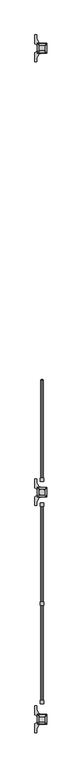
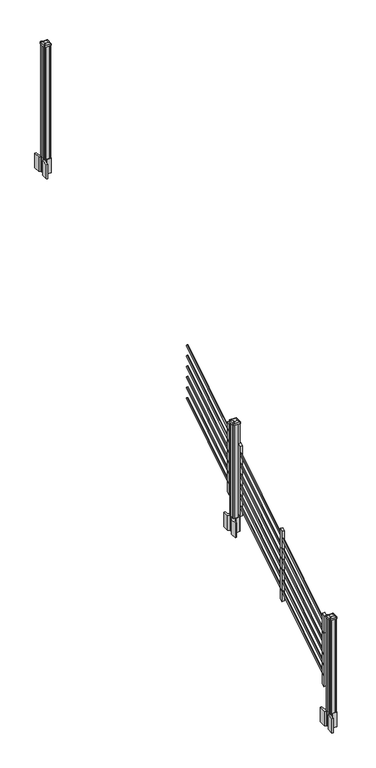
"""IFC4 building model written with IfcOpenShell, lengths in millimetres: railing geometry."""

from ifc_helpers import new_model, si_unit, point, frame, frame_2d, origin, origin_2d, place, context, project, spatial, polyline, circle_curve, trimmed, segment, composite_curve, outline, extrude, source, transform, mapped, element, save
from ifc_brep_helpers import plane_surface, extruded_surface, advanced_brep


def railing_e3468004(model_context):
    return source(origin(), model_context, "Body", "SolidModel", [
        extrude(outline(composite_curve([segment(trimmed(circle_curve(origin_2d(), 8.001), [point((0.0, 8.001))], [point((0.0, -8.001))], False, "CARTESIAN"), True, "CONTINUOUS"), segment(trimmed(circle_curve(origin_2d(), 8.001), [point((0.0, -8.001))], [point((0.0, 8.001))], False, "CARTESIAN"), True, "CONTINUOUS")], self_intersect=False)), frame((6959.7274858, -141000.6468453, 1529.9546159), z_axis=(0.0, 0.8479983040051254, 0.5299989400031201), x_axis=(1.0, 0.0, 0.0)), (0.0, 0.0, 1.0), 868.6338127),
        extrude(outline(composite_curve([segment(trimmed(circle_curve(origin_2d(), 8.001), [point((0.0, 8.001))], [point((0.0, -8.001))], False, "CARTESIAN"), True, "CONTINUOUS"), segment(trimmed(circle_curve(origin_2d(), 8.001), [point((0.0, -8.001))], [point((0.0, 8.001))], False, "CARTESIAN"), True, "CONTINUOUS")], self_intersect=False)), frame((6959.7274858, -141000.6468453, 1641.1445274), z_axis=(0.0, 0.8479983040051253, 0.5299989400031203), x_axis=(1.0, 0.0, 0.0)), (0.0, 0.0, 1.0), 868.6338127),
        extrude(outline(composite_curve([segment(trimmed(circle_curve(origin_2d(), 8.001), [point((0.0, 8.001))], [point((0.0, -8.001))], False, "CARTESIAN"), True, "CONTINUOUS"), segment(trimmed(circle_curve(origin_2d(), 8.001), [point((0.0, -8.001))], [point((0.0, 8.001))], False, "CARTESIAN"), True, "CONTINUOUS")], self_intersect=False)), frame((6959.7274858, -141000.6468453, 1752.334439), z_axis=(0.0, 0.8479983040051253, 0.5299989400031203), x_axis=(1.0, 0.0, 0.0)), (0.0, 0.0, 1.0), 868.6338127),
        extrude(outline(composite_curve([segment(trimmed(circle_curve(origin_2d(), 8.001), [point((0.0, 8.001))], [point((0.0, -8.001))], False, "CARTESIAN"), True, "CONTINUOUS"), segment(trimmed(circle_curve(origin_2d(), 8.001), [point((0.0, -8.001))], [point((0.0, 8.001))], False, "CARTESIAN"), True, "CONTINUOUS")], self_intersect=False)), frame((6959.7274858, -141000.6468453, 1863.5243506), z_axis=(0.0, 0.8479983040051253, 0.5299989400031203), x_axis=(1.0, 0.0, 0.0)), (0.0, 0.0, 1.0), 868.6338127),
        extrude(outline(composite_curve([segment(trimmed(circle_curve(origin_2d(), 8.001), [point((0.0, 8.001))], [point((0.0, -8.001))], False, "CARTESIAN"), True, "CONTINUOUS"), segment(trimmed(circle_curve(origin_2d(), 8.001), [point((0.0, -8.001))], [point((0.0, 8.001))], False, "CARTESIAN"), True, "CONTINUOUS")], self_intersect=False)), frame((6959.7274858, -141000.6468453, 1974.7142622), z_axis=(0.0, 0.8479983040051254, 0.5299989400031202), x_axis=(1.0, 0.0, 0.0)), (0.0, 0.0, 1.0), 868.6338127),
        extrude(outline(composite_curve([segment(trimmed(circle_curve(origin_2d(), 8.001), [point((0.0, 8.001))], [point((0.0, -8.001))], False, "CARTESIAN"), True, "CONTINUOUS"), segment(trimmed(circle_curve(origin_2d(), 8.001), [point((0.0, -8.001))], [point((0.0, 8.001))], False, "CARTESIAN"), True, "CONTINUOUS")], self_intersect=False)), frame((6959.7274858, -141000.6468453, 2085.9041737), z_axis=(0.0, 0.8479983040051253, 0.5299989400031202), x_axis=(1.0, 0.0, 0.0)), (0.0, 0.0, 1.0), 868.6338127),
        extrude(outline(polyline([(-140982.8668453, 1439.9853781), (-141008.2668453, 1424.1103781), (-141008.2668453, 2165.0325), (-140982.8668453, 2180.9075), (-140982.8668453, 1439.9853781)])), frame((6947.3376478, 0.0, 0.0), z_axis=(1.0, 0.0, 0.0), x_axis=(0.0, 1.0, 0.0)), (0.0, 0.0, 1.0), 25.4),
        extrude(outline(composite_curve([segment(polyline([(6993.0893978, -141106.1709401), (6994.6768978, -141106.9329401), (6994.6768978, -141120.4638682), (6991.4626707, -141123.6780953), (6939.7819999, -141123.6780953), (6939.7819999, -141124.5988453), (6944.1323311, -141124.5988453), (6944.1323311, -141126.0531), (6939.0478014, -141126.0531), (6939.0478014, -141127.3371238), (6946.8385135, -141127.3371238)]), True, "CONTINUOUS"), segment(trimmed(circle_curve(frame_2d((6946.8385135, -141144.0803337)), 16.7432099), [point((6946.8385135, -141127.3371238))], [point((6930.2163912, -141142.070327))], True, "CARTESIAN"), True, "CONTINUOUS"), segment(polyline([(6930.2163912, -141142.070327), (6922.5009469, -141159.1056654)]), True, "CONTINUOUS"), segment(trimmed(circle_curve(frame_2d((6967.6017103, -141175.3777151)), 47.9464123), [point((6922.5009469, -141159.1056654))], [point((6919.655298, -141175.3777151))], True, "CARTESIAN"), True, "CONTINUOUS"), segment(polyline([(6919.655298, -141175.3777151), (6919.655298, -141187.3864547), (6907.4517103, -141187.3864547), (6907.4517103, -141122.0905953), (6925.3983978, -141110.514179), (6925.3983978, -141106.9329401), (6926.9858978, -141106.1709401), (6926.9858978, -141071.9067504), (6925.3983978, -141071.1447504), (6925.3983978, -141067.5635116), (6907.4517103, -141055.9870953), (6907.4517103, -140990.6912359), (6919.655298, -140990.6912359), (6919.655298, -141002.6999755)]), True, "CONTINUOUS"), segment(trimmed(circle_curve(frame_2d((6967.6017103, -141002.6999755)), 47.9464123), [point((6919.655298, -141002.6999755))], [point((6922.5009469, -141018.9720251))], True, "CARTESIAN"), True, "CONTINUOUS"), segment(polyline([(6922.5009469, -141018.9720251), (6930.2163912, -141036.0073636)]), True, "CONTINUOUS"), segment(trimmed(circle_curve(frame_2d((6946.8385135, -141033.9973569)), 16.7432099), [point((6930.2163912, -141036.0073636))], [point((6946.8385135, -141050.7405668))], True, "CARTESIAN"), True, "CONTINUOUS"), segment(polyline([(6946.8385135, -141050.7405668), (6948.5057858, -141050.7405668), (6948.5057858, -141052.0245906), (6944.1323311, -141052.0245906), (6944.1323311, -141053.4788453), (6939.7819999, -141053.4788453), (6939.7819999, -141054.3995953), (6991.4626707, -141054.3995953), (6994.6768978, -141057.6138224), (6994.6768978, -141071.1447504), (6993.0893978, -141071.9067504), (6993.0893978, -141106.1709401)]), True, "CONTINUOUS")], self_intersect=False), holes=[polyline([(6928.2876478, -141058.8763453), (6928.2876478, -141119.2013453), (6929.8751478, -141120.7888453), (6957.2744304, -141120.7888453), (6990.2001478, -141120.7888453), (6991.7876478, -141119.2013453), (6991.7876478, -141058.8763453), (6990.2001478, -141057.2888453), (6957.2744304, -141057.2888453), (6929.8751478, -141057.2888453), (6928.2876478, -141058.8763453)])]), frame((0.0, 0.0, 1094.74), z_axis=(0.0, 0.0, 1.0), x_axis=(1.0, 0.0, 0.0)), (0.0, 0.0, 1.0), 152.4),
        advanced_brep(
        [(6944.1626478, -141108.0888453, 2260.089263), (6975.9126478, -141108.0888453, 2260.089263), (6979.0876478, -141104.9138453, 2260.089263), (6979.0876478, -141073.1638453, 2260.089263), (6975.9126478, -141069.9888453, 2260.089263), (6944.1626478, -141069.9888453, 2260.089263), (6940.9876478, -141073.1638453, 2260.089263), (6940.9876478, -141104.9138453, 2260.089263), (6927.6526478, -141124.5988453, 2248.786263), (6924.4776478, -141121.4238453, 2248.786263), (6924.4776478, -141056.6538453, 2248.786263), (6927.6526478, -141053.4788453, 2248.786263), (6992.4226478, -141053.4788453, 2248.786263), (6995.5976478, -141056.6538453, 2248.786263), (6995.5976478, -141121.4238453, 2248.786263), (6992.4226478, -141124.5988453, 2248.786263)],
        [
            (0, 1),
            (1, 2, circle_curve(frame((6975.9126478, -141104.9138453, 2260.089263), z_axis=(0.0, 0.0, 1.0), x_axis=(0.0, 1.0, 0.0)), 3.175)),
            (2, 3),
            (3, 4, circle_curve(frame((6975.9126478, -141073.1638453, 2260.089263), z_axis=(0.0, 0.0, 1.0), x_axis=(0.0, 1.0, 0.0)), 3.175)),
            (4, 5),
            (5, 6, circle_curve(frame((6944.1626478, -141073.1638453, 2260.089263), z_axis=(0.0, 0.0, 1.0), x_axis=(0.0, 1.0, 0.0)), 3.175)),
            (6, 7),
            (7, 0, circle_curve(frame((6944.1626478, -141104.9138453, 2260.089263), z_axis=(0.0, 0.0, 1.0), x_axis=(0.0, 1.0, 0.0)), 3.175)),
            (8, 9, circle_curve(frame((6927.6526478, -141121.4238453, 2248.786263), z_axis=(0.0, 0.0, -1.0), x_axis=(0.0, 1.0, 0.0)), 3.175)),
            (9, 10),
            (10, 11, circle_curve(frame((6927.6526478, -141056.6538453, 2248.786263), z_axis=(0.0, 0.0, -1.0), x_axis=(0.0, 1.0, 0.0)), 3.175)),
            (11, 12),
            (12, 13, circle_curve(frame((6992.4226478, -141056.6538453, 2248.786263), z_axis=(0.0, 0.0, -1.0), x_axis=(0.0, 1.0, 0.0)), 3.175)),
            (13, 14),
            (14, 15, circle_curve(frame((6992.4226478, -141121.4238453, 2248.786263), z_axis=(0.0, 0.0, -1.0), x_axis=(0.0, 1.0, 0.0)), 3.175)),
            (15, 8),
            (8, 0),
            (7, 9),
            (6, 10),
            (5, 11),
            (4, 12),
            (3, 13),
            (2, 14),
            (1, 15),
        ],
        [
            plane_surface(frame((6960.0376478, -141089.0388453, 2260.089263), z_axis=(0.0, 0.0, 1.0), x_axis=(-1.0, 0.0, 0.0))),
            plane_surface(frame((6960.0376478, -141089.0388453, 2248.786263), z_axis=(0.0, 0.0, -1.0), x_axis=(-1.0, 0.0, 0.0))),
            extruded_surface(trimmed(circle_curve(frame((6944.1626478, -141104.9138453, 2260.089263), z_axis=(0.0, 0.0, -1.0), x_axis=(0.0, 1.0, 0.0)), 3.175), [point((6944.1626478, -141108.0888453, 2260.089263))], [point((6940.9876478, -141104.9138453, 2260.089263))], True, "CARTESIAN"), (-16.51000000000022, -16.510000000009313, -11.302999999999884), 25.940663233624388),
            plane_surface(frame((6924.4776478, -141089.0388453, 2248.786263), z_axis=(-0.5649114395471265, 0.0, 0.8251515409116033), x_axis=(0.0, 1.0, 0.0))),
            extruded_surface(trimmed(circle_curve(frame((6944.1626478, -141073.1638453, 2260.089263), z_axis=(0.0, 0.0, -1.0), x_axis=(0.0, 1.0, 0.0)), 3.175), [point((6940.9876478, -141073.1638453, 2260.089263))], [point((6944.1626478, -141069.9888453, 2260.089263))], True, "CARTESIAN"), (-16.51000000000022, 16.510000000009313, -11.302999999999884), 25.940663233624388),
            plane_surface(frame((6960.0376478, -141053.4788453, 2248.786263), z_axis=(0.0, 0.564911439547091, 0.8251515409116277), x_axis=(1.0, 0.0, 0.0))),
            extruded_surface(trimmed(circle_curve(frame((6975.9126478, -141073.1638453, 2260.089263), z_axis=(0.0, 0.0, -1.0), x_axis=(0.0, 1.0, 0.0)), 3.175), [point((6975.9126478, -141069.9888453, 2260.089263))], [point((6979.0876478, -141073.1638453, 2260.089263))], True, "CARTESIAN"), (16.51000000000022, 16.510000000009313, -11.302999999999884), 25.940663233624388),
            plane_surface(frame((6995.5976478, -141089.0388453, 2248.786263), z_axis=(0.5649114395470569, 0.0, 0.825151540911651), x_axis=(0.0, -1.0, 0.0))),
            extruded_surface(trimmed(circle_curve(frame((6975.9126478, -141104.9138453, 2260.089263), z_axis=(0.0, 0.0, -1.0), x_axis=(0.0, 1.0, 0.0)), 3.175), [point((6979.0876478, -141104.9138453, 2260.089263))], [point((6975.9126478, -141108.0888453, 2260.089263))], True, "CARTESIAN"), (16.51000000000022, -16.510000000009313, -11.302999999999884), 25.940663233624388),
            plane_surface(frame((6960.0376478, -141124.5988453, 2248.786263), z_axis=(0.0, -0.5649114395471048, 0.8251515409116182), x_axis=(-1.0, 0.0, 0.0))),
        ],
        [
            (0, [[1, 2, 3, 4, 5, 6, 7, 8]]),
            (1, [[9, 10, 11, 12, 13, 14, 15, 16]]),
            (2, [[17, -8, 18, -9]]),
            (3, [[-18, -7, 19, -10]]),
            (4, [[-19, -6, 20, -11]]),
            (5, [[-20, -5, 21, -12]]),
            (6, [[-21, -4, 22, -13]]),
            (7, [[-22, -3, 23, -14]]),
            (8, [[-23, -2, 24, -15]]),
            (9, [[-24, -1, -17, -16]]),
        ],
    ),
        extrude(outline(composite_curve([segment(trimmed(circle_curve(frame_2d((6927.6526478, -141121.4238453)), 3.175), [point((6927.6526478, -141124.5988453))], [point((6924.4776478, -141121.4238453))], False, "CARTESIAN"), True, "CONTINUOUS"), segment(polyline([(6924.4776478, -141121.4238453), (6924.4776478, -141056.6538453)]), True, "CONTINUOUS"), segment(trimmed(circle_curve(frame_2d((6927.6526478, -141056.6538453)), 3.175), [point((6924.4776478, -141056.6538453))], [point((6927.6526478, -141053.4788453))], False, "CARTESIAN"), True, "CONTINUOUS"), segment(polyline([(6927.6526478, -141053.4788453), (6992.4226478, -141053.4788453)]), True, "CONTINUOUS"), segment(trimmed(circle_curve(frame_2d((6992.4226478, -141056.6538453)), 3.175), [point((6992.4226478, -141053.4788453))], [point((6995.5976478, -141056.6538453))], False, "CARTESIAN"), True, "CONTINUOUS"), segment(polyline([(6995.5976478, -141056.6538453), (6995.5976478, -141121.4238453)]), True, "CONTINUOUS"), segment(trimmed(circle_curve(frame_2d((6992.4226478, -141121.4238453)), 3.175), [point((6995.5976478, -141121.4238453))], [point((6992.4226478, -141124.5988453))], False, "CARTESIAN"), True, "CONTINUOUS"), segment(polyline([(6992.4226478, -141124.5988453), (6927.6526478, -141124.5988453)]), True, "CONTINUOUS")], self_intersect=False)), frame((0.0, 0.0, 2231.514263), z_axis=(0.0, 0.0, 1.0), x_axis=(1.0, 0.0, 0.0)), (0.0, 0.0, 1.0), 17.272),
        extrude(outline(polyline([(6929.8751478, -141120.7888453), (6928.2876478, -141119.2013453), (6928.2876478, -141108.8508453), (6929.8751478, -141108.0888453), (6929.8751478, -141069.9888453), (6928.2876478, -141069.2268453), (6928.2876478, -141058.8763453), (6929.8751478, -141057.2888453), (6940.2256478, -141057.2888453), (6940.9876478, -141058.8763453), (6979.0876478, -141058.8763453), (6979.8496478, -141057.2888453), (6990.2001478, -141057.2888453), (6991.7876478, -141058.8763453), (6991.7876478, -141069.2268453), (6990.2001478, -141069.9888453), (6990.2001478, -141108.0888453), (6991.7876478, -141108.8508453), (6991.7876478, -141119.2013453), (6990.2001478, -141120.7888453), (6979.8496478, -141120.7888453), (6979.0876478, -141119.2013453), (6940.9876478, -141119.2013453), (6940.2256478, -141120.7888453), (6929.8751478, -141120.7888453)])), frame((0.0, 0.0, 1247.14), z_axis=(0.0, 0.0, 1.0), x_axis=(1.0, 0.0, 0.0)), (0.0, 0.0, 1.0), 984.374263),
        extrude(outline(polyline([(-141169.8108453, 1323.1453781), (-141195.2108453, 1307.2703781), (-141195.2108453, 2048.1925), (-141169.8108453, 2064.0675), (-141169.8108453, 1323.1453781)])), frame((6947.3376478, 0.0, 0.0), z_axis=(1.0, 0.0, 0.0), x_axis=(0.0, 1.0, 0.0)), (0.0, 0.0, 1.0), 25.4),
        extrude(outline(composite_curve([segment(trimmed(circle_curve(origin_2d(), 8.001), [point((0.0, 8.001))], [point((0.0, -8.001))], False, "CARTESIAN"), True, "CONTINUOUS"), segment(trimmed(circle_curve(origin_2d(), 8.001), [point((0.0, -8.001))], [point((0.0, 8.001))], False, "CARTESIAN"), True, "CONTINUOUS")], self_intersect=False)), frame((6959.7274858, -141914.0308453, 959.0896159), z_axis=(0.0, 0.8479983040051254, 0.5299989400031201), x_axis=(1.0, 0.0, 0.0)), (0.0, 0.0, 1.0), 868.6338127),
        extrude(outline(composite_curve([segment(trimmed(circle_curve(origin_2d(), 8.001), [point((0.0, 8.001))], [point((0.0, -8.001))], False, "CARTESIAN"), True, "CONTINUOUS"), segment(trimmed(circle_curve(origin_2d(), 8.001), [point((0.0, -8.001))], [point((0.0, 8.001))], False, "CARTESIAN"), True, "CONTINUOUS")], self_intersect=False)), frame((6959.7274858, -141914.0308453, 1070.2795274), z_axis=(0.0, 0.8479983040051253, 0.5299989400031203), x_axis=(1.0, 0.0, 0.0)), (0.0, 0.0, 1.0), 868.6338127),
        extrude(outline(composite_curve([segment(trimmed(circle_curve(origin_2d(), 8.001), [point((0.0, 8.001))], [point((0.0, -8.001))], False, "CARTESIAN"), True, "CONTINUOUS"), segment(trimmed(circle_curve(origin_2d(), 8.001), [point((0.0, -8.001))], [point((0.0, 8.001))], False, "CARTESIAN"), True, "CONTINUOUS")], self_intersect=False)), frame((6959.7274858, -141914.0308453, 1181.469439), z_axis=(0.0, 0.8479983040051253, 0.5299989400031203), x_axis=(1.0, 0.0, 0.0)), (0.0, 0.0, 1.0), 868.6338127),
        extrude(outline(composite_curve([segment(trimmed(circle_curve(origin_2d(), 8.001), [point((0.0, 8.001))], [point((0.0, -8.001))], False, "CARTESIAN"), True, "CONTINUOUS"), segment(trimmed(circle_curve(origin_2d(), 8.001), [point((0.0, -8.001))], [point((0.0, 8.001))], False, "CARTESIAN"), True, "CONTINUOUS")], self_intersect=False)), frame((6959.7274858, -141914.0308453, 1292.6593506), z_axis=(0.0, 0.8479983040051253, 0.5299989400031203), x_axis=(1.0, 0.0, 0.0)), (0.0, 0.0, 1.0), 868.6338127),
        extrude(outline(composite_curve([segment(trimmed(circle_curve(origin_2d(), 8.001), [point((0.0, 8.001))], [point((0.0, -8.001))], False, "CARTESIAN"), True, "CONTINUOUS"), segment(trimmed(circle_curve(origin_2d(), 8.001), [point((0.0, -8.001))], [point((0.0, 8.001))], False, "CARTESIAN"), True, "CONTINUOUS")], self_intersect=False)), frame((6959.7274858, -141914.0308453, 1403.8492622), z_axis=(0.0, 0.8479983040051254, 0.5299989400031202), x_axis=(1.0, 0.0, 0.0)), (0.0, 0.0, 1.0), 868.6338127),
        extrude(outline(composite_curve([segment(trimmed(circle_curve(origin_2d(), 8.001), [point((0.0, 8.001))], [point((0.0, -8.001))], False, "CARTESIAN"), True, "CONTINUOUS"), segment(trimmed(circle_curve(origin_2d(), 8.001), [point((0.0, -8.001))], [point((0.0, 8.001))], False, "CARTESIAN"), True, "CONTINUOUS")], self_intersect=False)), frame((6959.7274858, -141914.0308453, 1515.0391737), z_axis=(0.0, 0.8479983040051253, 0.5299989400031202), x_axis=(1.0, 0.0, 0.0)), (0.0, 0.0, 1.0), 868.6338127),
        extrude(outline(polyline([(-141896.2508453, 869.1203781), (-141921.6508453, 853.2453781), (-141921.6508453, 1594.1675), (-141896.2508453, 1610.0425), (-141896.2508453, 869.1203781)])), frame((6947.3376478, 0.0, 0.0), z_axis=(1.0, 0.0, 0.0), x_axis=(0.0, 1.0, 0.0)), (0.0, 0.0, 1.0), 25.4),
        extrude(outline(composite_curve([segment(trimmed(circle_curve(origin_2d(), 8.001), [point((0.0, 8.001))], [point((0.0, -8.001))], False, "CARTESIAN"), True, "CONTINUOUS"), segment(trimmed(circle_curve(origin_2d(), 8.001), [point((0.0, -8.001))], [point((0.0, 8.001))], False, "CARTESIAN"), True, "CONTINUOUS")], self_intersect=False)), frame((6959.7274858, -142640.4708453, 505.0646159), z_axis=(0.0, 0.8479983040051254, 0.5299989400031201), x_axis=(1.0, 0.0, 0.0)), (0.0, 0.0, 1.0), 868.6338127),
        extrude(outline(composite_curve([segment(trimmed(circle_curve(origin_2d(), 8.001), [point((0.0, 8.001))], [point((0.0, -8.001))], False, "CARTESIAN"), True, "CONTINUOUS"), segment(trimmed(circle_curve(origin_2d(), 8.001), [point((0.0, -8.001))], [point((0.0, 8.001))], False, "CARTESIAN"), True, "CONTINUOUS")], self_intersect=False)), frame((6959.7274858, -142640.4708453, 616.2545274), z_axis=(0.0, 0.8479983040051253, 0.5299989400031203), x_axis=(1.0, 0.0, 0.0)), (0.0, 0.0, 1.0), 868.6338127),
        extrude(outline(composite_curve([segment(trimmed(circle_curve(origin_2d(), 8.001), [point((0.0, 8.001))], [point((0.0, -8.001))], False, "CARTESIAN"), True, "CONTINUOUS"), segment(trimmed(circle_curve(origin_2d(), 8.001), [point((0.0, -8.001))], [point((0.0, 8.001))], False, "CARTESIAN"), True, "CONTINUOUS")], self_intersect=False)), frame((6959.7274858, -142640.4708453, 727.444439), z_axis=(0.0, 0.8479983040051253, 0.5299989400031203), x_axis=(1.0, 0.0, 0.0)), (0.0, 0.0, 1.0), 868.6338127),
        extrude(outline(composite_curve([segment(trimmed(circle_curve(origin_2d(), 8.001), [point((0.0, 8.001))], [point((0.0, -8.001))], False, "CARTESIAN"), True, "CONTINUOUS"), segment(trimmed(circle_curve(origin_2d(), 8.001), [point((0.0, -8.001))], [point((0.0, 8.001))], False, "CARTESIAN"), True, "CONTINUOUS")], self_intersect=False)), frame((6959.7274858, -142640.4708453, 838.6343506), z_axis=(0.0, 0.8479983040051253, 0.5299989400031203), x_axis=(1.0, 0.0, 0.0)), (0.0, 0.0, 1.0), 868.6338127),
        extrude(outline(composite_curve([segment(trimmed(circle_curve(origin_2d(), 8.001), [point((0.0, 8.001))], [point((0.0, -8.001))], False, "CARTESIAN"), True, "CONTINUOUS"), segment(trimmed(circle_curve(origin_2d(), 8.001), [point((0.0, -8.001))], [point((0.0, 8.001))], False, "CARTESIAN"), True, "CONTINUOUS")], self_intersect=False)), frame((6959.7274858, -142640.4708453, 949.8242622), z_axis=(0.0, 0.8479983040051254, 0.5299989400031202), x_axis=(1.0, 0.0, 0.0)), (0.0, 0.0, 1.0), 868.6338127),
        extrude(outline(composite_curve([segment(trimmed(circle_curve(origin_2d(), 8.001), [point((0.0, 8.001))], [point((0.0, -8.001))], False, "CARTESIAN"), True, "CONTINUOUS"), segment(trimmed(circle_curve(origin_2d(), 8.001), [point((0.0, -8.001))], [point((0.0, 8.001))], False, "CARTESIAN"), True, "CONTINUOUS")], self_intersect=False)), frame((6959.7274858, -142640.4708453, 1061.0141737), z_axis=(0.0, 0.8479983040051253, 0.5299989400031202), x_axis=(1.0, 0.0, 0.0)), (0.0, 0.0, 1.0), 868.6338127),
        extrude(outline(polyline([(-142622.6908453, 415.0953781), (-142648.0908453, 399.2203781), (-142648.0908453, 1140.1425), (-142622.6908453, 1156.0175), (-142622.6908453, 415.0953781)])), frame((6947.3376478, 0.0, 0.0), z_axis=(1.0, 0.0, 0.0), x_axis=(0.0, 1.0, 0.0)), (0.0, 0.0, 1.0), 25.4),
        extrude(outline(composite_curve([segment(polyline([(6993.0893978, -137837.4449401), (6994.6768978, -137838.2069401), (6994.6768978, -137851.7378682), (6991.4626707, -137854.9520953), (6939.7819999, -137854.9520953), (6939.7819999, -137855.8728453), (6944.1323311, -137855.8728453), (6944.1323311, -137857.3271), (6939.0478014, -137857.3271), (6939.0478014, -137858.6111238), (6946.8385135, -137858.6111238)]), True, "CONTINUOUS"), segment(trimmed(circle_curve(frame_2d((6946.8385135, -137875.3543337)), 16.7432099), [point((6946.8385135, -137858.6111238))], [point((6930.2163912, -137873.344327))], True, "CARTESIAN"), True, "CONTINUOUS"), segment(polyline([(6930.2163912, -137873.344327), (6922.5009469, -137890.3796654)]), True, "CONTINUOUS"), segment(trimmed(circle_curve(frame_2d((6967.6017103, -137906.6517151)), 47.9464123), [point((6922.5009469, -137890.3796654))], [point((6919.655298, -137906.6517151))], True, "CARTESIAN"), True, "CONTINUOUS"), segment(polyline([(6919.655298, -137906.6517151), (6919.655298, -137918.6604547), (6907.4517103, -137918.6604547), (6907.4517103, -137853.3645953), (6925.3983978, -137841.788179), (6925.3983978, -137838.2069401), (6926.9858978, -137837.4449401), (6926.9858978, -137803.1807504), (6925.3983978, -137802.4187504), (6925.3983978, -137798.8375116), (6907.4517103, -137787.2610953), (6907.4517103, -137721.9652359), (6919.655298, -137721.9652359), (6919.655298, -137733.9739755)]), True, "CONTINUOUS"), segment(trimmed(circle_curve(frame_2d((6967.6017103, -137733.9739755)), 47.9464123), [point((6919.655298, -137733.9739755))], [point((6922.5009469, -137750.2460251))], True, "CARTESIAN"), True, "CONTINUOUS"), segment(polyline([(6922.5009469, -137750.2460251), (6930.2163912, -137767.2813636)]), True, "CONTINUOUS"), segment(trimmed(circle_curve(frame_2d((6946.8385135, -137765.2713569)), 16.7432099), [point((6930.2163912, -137767.2813636))], [point((6946.8385135, -137782.0145668))], True, "CARTESIAN"), True, "CONTINUOUS"), segment(polyline([(6946.8385135, -137782.0145668), (6948.5057858, -137782.0145668), (6948.5057858, -137783.2985906), (6944.1323311, -137783.2985906), (6944.1323311, -137784.7528453), (6939.7819999, -137784.7528453), (6939.7819999, -137785.6735953), (6991.4626707, -137785.6735953), (6994.6768978, -137788.8878224), (6994.6768978, -137802.4187504), (6993.0893978, -137803.1807504), (6993.0893978, -137837.4449401)]), True, "CONTINUOUS")], self_intersect=False), holes=[polyline([(6928.2876478, -137790.1503453), (6928.2876478, -137850.4753453), (6929.8751478, -137852.0628453), (6957.2744304, -137852.0628453), (6990.2001478, -137852.0628453), (6991.7876478, -137850.4753453), (6991.7876478, -137790.1503453), (6990.2001478, -137788.5628453), (6957.2744304, -137788.5628453), (6929.8751478, -137788.5628453), (6928.2876478, -137790.1503453)])]), frame((0.0, 0.0, 2895.6), z_axis=(0.0, 0.0, 1.0), x_axis=(1.0, 0.0, 0.0)), (0.0, 0.0, 1.0), 152.4),
        advanced_brep(
        [(6944.1626478, -137839.3628453, 4264.149263), (6975.9126478, -137839.3628453, 4264.149263), (6979.0876478, -137836.1878453, 4264.149263), (6979.0876478, -137804.4378453, 4264.149263), (6975.9126478, -137801.2628453, 4264.149263), (6944.1626478, -137801.2628453, 4264.149263), (6940.9876478, -137804.4378453, 4264.149263), (6940.9876478, -137836.1878453, 4264.149263), (6927.6526478, -137855.8728453, 4252.846263), (6924.4776478, -137852.6978453, 4252.846263), (6924.4776478, -137787.9278453, 4252.846263), (6927.6526478, -137784.7528453, 4252.846263), (6992.4226478, -137784.7528453, 4252.846263), (6995.5976478, -137787.9278453, 4252.846263), (6995.5976478, -137852.6978453, 4252.846263), (6992.4226478, -137855.8728453, 4252.846263)],
        [
            (0, 1),
            (1, 2, circle_curve(frame((6975.9126478, -137836.1878453, 4264.149263), z_axis=(0.0, 0.0, 1.0), x_axis=(0.0, 1.0, 0.0)), 3.175)),
            (2, 3),
            (3, 4, circle_curve(frame((6975.9126478, -137804.4378453, 4264.149263), z_axis=(0.0, 0.0, 1.0), x_axis=(0.0, 1.0, 0.0)), 3.175)),
            (4, 5),
            (5, 6, circle_curve(frame((6944.1626478, -137804.4378453, 4264.149263), z_axis=(0.0, 0.0, 1.0), x_axis=(0.0, 1.0, 0.0)), 3.175)),
            (6, 7),
            (7, 0, circle_curve(frame((6944.1626478, -137836.1878453, 4264.149263), z_axis=(0.0, 0.0, 1.0), x_axis=(0.0, 1.0, 0.0)), 3.175)),
            (8, 9, circle_curve(frame((6927.6526478, -137852.6978453, 4252.846263), z_axis=(0.0, 0.0, -1.0), x_axis=(0.0, 1.0, 0.0)), 3.175)),
            (9, 10),
            (10, 11, circle_curve(frame((6927.6526478, -137787.9278453, 4252.846263), z_axis=(0.0, 0.0, -1.0), x_axis=(0.0, 1.0, 0.0)), 3.175)),
            (11, 12),
            (12, 13, circle_curve(frame((6992.4226478, -137787.9278453, 4252.846263), z_axis=(0.0, 0.0, -1.0), x_axis=(0.0, 1.0, 0.0)), 3.175)),
            (13, 14),
            (14, 15, circle_curve(frame((6992.4226478, -137852.6978453, 4252.846263), z_axis=(0.0, 0.0, -1.0), x_axis=(0.0, 1.0, 0.0)), 3.175)),
            (15, 8),
            (8, 0),
            (7, 9),
            (6, 10),
            (5, 11),
            (4, 12),
            (3, 13),
            (2, 14),
            (1, 15),
        ],
        [
            plane_surface(frame((6960.0376478, -137820.3128453, 4264.149263), z_axis=(0.0, 0.0, 1.0), x_axis=(-1.0, 0.0, 0.0))),
            plane_surface(frame((6960.0376478, -137820.3128453, 4252.846263), z_axis=(0.0, 0.0, -1.0), x_axis=(-1.0, 0.0, 0.0))),
            extruded_surface(trimmed(circle_curve(frame((6944.1626478, -137836.1878453, 4264.149263), z_axis=(0.0, 0.0, -1.0), x_axis=(0.0, 1.0, 0.0)), 3.175), [point((6944.1626478, -137839.3628453, 4264.149263))], [point((6940.9876478, -137836.1878453, 4264.149263))], True, "CARTESIAN"), (-16.51000000000022, -16.50999999998021, -11.302999999999884), 25.940663233605864),
            plane_surface(frame((6924.4776478, -137820.3128453, 4252.846263), z_axis=(-0.5649114395471265, 0.0, 0.8251515409116033), x_axis=(0.0, 1.0, 0.0))),
            extruded_surface(trimmed(circle_curve(frame((6944.1626478, -137804.4378453, 4264.149263), z_axis=(0.0, 0.0, -1.0), x_axis=(0.0, 1.0, 0.0)), 3.175), [point((6940.9876478, -137804.4378453, 4264.149263))], [point((6944.1626478, -137801.2628453, 4264.149263))], True, "CARTESIAN"), (-16.51000000000022, 16.510000000009313, -11.302999999999884), 25.940663233624388),
            plane_surface(frame((6960.0376478, -137784.7528453, 4252.846263), z_axis=(0.0, 0.564911439547091, 0.8251515409116277), x_axis=(1.0, 0.0, 0.0))),
            extruded_surface(trimmed(circle_curve(frame((6975.9126478, -137804.4378453, 4264.149263), z_axis=(0.0, 0.0, -1.0), x_axis=(0.0, 1.0, 0.0)), 3.175), [point((6975.9126478, -137801.2628453, 4264.149263))], [point((6979.0876478, -137804.4378453, 4264.149263))], True, "CARTESIAN"), (16.51000000000022, 16.510000000009313, -11.302999999999884), 25.940663233624388),
            plane_surface(frame((6995.5976478, -137820.3128453, 4252.846263), z_axis=(0.5649114395470568, 0.0, 0.8251515409116511), x_axis=(0.0, -1.0, 0.0))),
            extruded_surface(trimmed(circle_curve(frame((6975.9126478, -137836.1878453, 4264.149263), z_axis=(0.0, 0.0, -1.0), x_axis=(0.0, 1.0, 0.0)), 3.175), [point((6979.0876478, -137836.1878453, 4264.149263))], [point((6975.9126478, -137839.3628453, 4264.149263))], True, "CARTESIAN"), (16.51000000000022, -16.50999999998021, -11.302999999999884), 25.940663233605864),
            plane_surface(frame((6960.0376478, -137855.8728453, 4252.846263), z_axis=(0.0, -0.5649114395471048, 0.8251515409116182), x_axis=(-1.0, 0.0, 0.0))),
        ],
        [
            (0, [[1, 2, 3, 4, 5, 6, 7, 8]]),
            (1, [[9, 10, 11, 12, 13, 14, 15, 16]]),
            (2, [[17, -8, 18, -9]]),
            (3, [[-18, -7, 19, -10]]),
            (4, [[-19, -6, 20, -11]]),
            (5, [[-20, -5, 21, -12]]),
            (6, [[-21, -4, 22, -13]]),
            (7, [[-22, -3, 23, -14]]),
            (8, [[-23, -2, 24, -15]]),
            (9, [[-24, -1, -17, -16]]),
        ],
    ),
        extrude(outline(composite_curve([segment(trimmed(circle_curve(frame_2d((6927.6526478, -137852.6978453)), 3.175), [point((6927.6526478, -137855.8728453))], [point((6924.4776478, -137852.6978453))], False, "CARTESIAN"), True, "CONTINUOUS"), segment(polyline([(6924.4776478, -137852.6978453), (6924.4776478, -137787.9278453)]), True, "CONTINUOUS"), segment(trimmed(circle_curve(frame_2d((6927.6526478, -137787.9278453)), 3.175), [point((6924.4776478, -137787.9278453))], [point((6927.6526478, -137784.7528453))], False, "CARTESIAN"), True, "CONTINUOUS"), segment(polyline([(6927.6526478, -137784.7528453), (6992.4226478, -137784.7528453)]), True, "CONTINUOUS"), segment(trimmed(circle_curve(frame_2d((6992.4226478, -137787.9278453)), 3.175), [point((6992.4226478, -137784.7528453))], [point((6995.5976478, -137787.9278453))], False, "CARTESIAN"), True, "CONTINUOUS"), segment(polyline([(6995.5976478, -137787.9278453), (6995.5976478, -137852.6978453)]), True, "CONTINUOUS"), segment(trimmed(circle_curve(frame_2d((6992.4226478, -137852.6978453)), 3.175), [point((6995.5976478, -137852.6978453))], [point((6992.4226478, -137855.8728453))], False, "CARTESIAN"), True, "CONTINUOUS"), segment(polyline([(6992.4226478, -137855.8728453), (6927.6526478, -137855.8728453)]), True, "CONTINUOUS")], self_intersect=False)), frame((0.0, 0.0, 4235.574263), z_axis=(0.0, 0.0, 1.0), x_axis=(1.0, 0.0, 0.0)), (0.0, 0.0, 1.0), 17.272),
        extrude(outline(polyline([(6929.8751478, -137852.0628453), (6928.2876478, -137850.4753453), (6928.2876478, -137840.1248453), (6929.8751478, -137839.3628453), (6929.8751478, -137801.2628453), (6928.2876478, -137800.5008453), (6928.2876478, -137790.1503453), (6929.8751478, -137788.5628453), (6940.2256478, -137788.5628453), (6940.9876478, -137790.1503453), (6979.0876478, -137790.1503453), (6979.8496478, -137788.5628453), (6990.2001478, -137788.5628453), (6991.7876478, -137790.1503453), (6991.7876478, -137800.5008453), (6990.2001478, -137801.2628453), (6990.2001478, -137839.3628453), (6991.7876478, -137840.1248453), (6991.7876478, -137850.4753453), (6990.2001478, -137852.0628453), (6979.8496478, -137852.0628453), (6979.0876478, -137850.4753453), (6940.9876478, -137850.4753453), (6940.2256478, -137852.0628453), (6929.8751478, -137852.0628453)])), frame((0.0, 0.0, 3048.0), z_axis=(0.0, 0.0, 1.0), x_axis=(1.0, 0.0, 0.0)), (0.0, 0.0, 1.0), 1187.574263),
        extrude(outline(composite_curve([segment(polyline([(6993.0893978, -142777.7449401), (6994.6768978, -142778.5069401), (6994.6768978, -142792.0378682), (6991.4626707, -142795.2520953), (6939.7819999, -142795.2520953), (6939.7819999, -142796.1728453), (6944.1323311, -142796.1728453), (6944.1323311, -142797.6271), (6939.0478014, -142797.6271), (6939.0478014, -142798.9111238), (6946.8385135, -142798.9111238)]), True, "CONTINUOUS"), segment(trimmed(circle_curve(frame_2d((6946.8385135, -142815.6543337)), 16.7432099), [point((6946.8385135, -142798.9111238))], [point((6930.2163912, -142813.644327))], True, "CARTESIAN"), True, "CONTINUOUS"), segment(polyline([(6930.2163912, -142813.644327), (6922.5009469, -142830.6796654)]), True, "CONTINUOUS"), segment(trimmed(circle_curve(frame_2d((6967.6017103, -142846.9517151)), 47.9464123), [point((6922.5009469, -142830.6796654))], [point((6919.655298, -142846.9517151))], True, "CARTESIAN"), True, "CONTINUOUS"), segment(polyline([(6919.655298, -142846.9517151), (6919.655298, -142858.9604547), (6907.4517103, -142858.9604547), (6907.4517103, -142793.6645953), (6925.3983978, -142782.088179), (6925.3983978, -142778.5069401), (6926.9858978, -142777.7449401), (6926.9858978, -142743.4807504), (6925.3983978, -142742.7187504), (6925.3983978, -142739.1375116), (6907.4517103, -142727.5610953), (6907.4517103, -142662.2652359), (6919.655298, -142662.2652359), (6919.655298, -142674.2739755)]), True, "CONTINUOUS"), segment(trimmed(circle_curve(frame_2d((6967.6017103, -142674.2739755)), 47.9464123), [point((6919.655298, -142674.2739755))], [point((6922.5009469, -142690.5460251))], True, "CARTESIAN"), True, "CONTINUOUS"), segment(polyline([(6922.5009469, -142690.5460251), (6930.2163912, -142707.5813636)]), True, "CONTINUOUS"), segment(trimmed(circle_curve(frame_2d((6946.8385135, -142705.5713569)), 16.7432099), [point((6930.2163912, -142707.5813636))], [point((6946.8385135, -142722.3145668))], True, "CARTESIAN"), True, "CONTINUOUS"), segment(polyline([(6946.8385135, -142722.3145668), (6948.5057858, -142722.3145668), (6948.5057858, -142723.5985906), (6944.1323311, -142723.5985906), (6944.1323311, -142725.0528453), (6939.7819999, -142725.0528453), (6939.7819999, -142725.9735953), (6991.4626707, -142725.9735953), (6994.6768978, -142729.1878224), (6994.6768978, -142742.7187504), (6993.0893978, -142743.4807504), (6993.0893978, -142777.7449401)]), True, "CONTINUOUS")], self_intersect=False), holes=[polyline([(6928.2876478, -142730.4503453), (6928.2876478, -142790.7753453), (6929.8751478, -142792.3628453), (6957.2744304, -142792.3628453), (6990.2001478, -142792.3628453), (6991.7876478, -142790.7753453), (6991.7876478, -142730.4503453), (6990.2001478, -142728.8628453), (6957.2744304, -142728.8628453), (6929.8751478, -142728.8628453), (6928.2876478, -142730.4503453)])]), frame((0.0, 0.0, 50.00625), z_axis=(0.0, 0.0, 1.0), x_axis=(1.0, 0.0, 0.0)), (0.0, 0.0, 1.0), 152.4),
        advanced_brep(
        [(6944.1626478, -142779.6628453, 1215.355513), (6975.9126478, -142779.6628453, 1215.355513), (6979.0876478, -142776.4878453, 1215.355513), (6979.0876478, -142744.7378453, 1215.355513), (6975.9126478, -142741.5628453, 1215.355513), (6944.1626478, -142741.5628453, 1215.355513), (6940.9876478, -142744.7378453, 1215.355513), (6940.9876478, -142776.4878453, 1215.355513), (6927.6526478, -142796.1728453, 1204.052513), (6924.4776478, -142792.9978453, 1204.052513), (6924.4776478, -142728.2278453, 1204.052513), (6927.6526478, -142725.0528453, 1204.052513), (6992.4226478, -142725.0528453, 1204.052513), (6995.5976478, -142728.2278453, 1204.052513), (6995.5976478, -142792.9978453, 1204.052513), (6992.4226478, -142796.1728453, 1204.052513)],
        [
            (0, 1),
            (1, 2, circle_curve(frame((6975.9126478, -142776.4878453, 1215.355513), z_axis=(0.0, 0.0, 1.0), x_axis=(0.0, 1.0, 0.0)), 3.175)),
            (2, 3),
            (3, 4, circle_curve(frame((6975.9126478, -142744.7378453, 1215.355513), z_axis=(0.0, 0.0, 1.0), x_axis=(0.0, 1.0, 0.0)), 3.175)),
            (4, 5),
            (5, 6, circle_curve(frame((6944.1626478, -142744.7378453, 1215.355513), z_axis=(0.0, 0.0, 1.0), x_axis=(0.0, 1.0, 0.0)), 3.175)),
            (6, 7),
            (7, 0, circle_curve(frame((6944.1626478, -142776.4878453, 1215.355513), z_axis=(0.0, 0.0, 1.0), x_axis=(0.0, 1.0, 0.0)), 3.175)),
            (8, 9, circle_curve(frame((6927.6526478, -142792.9978453, 1204.052513), z_axis=(0.0, 0.0, -1.0), x_axis=(0.0, 1.0, 0.0)), 3.175)),
            (9, 10),
            (10, 11, circle_curve(frame((6927.6526478, -142728.2278453, 1204.052513), z_axis=(0.0, 0.0, -1.0), x_axis=(0.0, 1.0, 0.0)), 3.175)),
            (11, 12),
            (12, 13, circle_curve(frame((6992.4226478, -142728.2278453, 1204.052513), z_axis=(0.0, 0.0, -1.0), x_axis=(0.0, 1.0, 0.0)), 3.175)),
            (13, 14),
            (14, 15, circle_curve(frame((6992.4226478, -142792.9978453, 1204.052513), z_axis=(0.0, 0.0, -1.0), x_axis=(0.0, 1.0, 0.0)), 3.175)),
            (15, 8),
            (8, 0),
            (7, 9),
            (6, 10),
            (5, 11),
            (4, 12),
            (3, 13),
            (2, 14),
            (1, 15),
        ],
        [
            plane_surface(frame((6960.0376478, -142760.6128453, 1215.355513), z_axis=(0.0, 0.0, 1.0), x_axis=(-1.0, 0.0, 0.0))),
            plane_surface(frame((6960.0376478, -142760.6128453, 1204.052513), z_axis=(0.0, 0.0, -1.0), x_axis=(-1.0, 0.0, 0.0))),
            extruded_surface(trimmed(circle_curve(frame((6944.1626478, -142776.4878453, 1215.355513), z_axis=(0.0, 0.0, -1.0), x_axis=(0.0, 1.0, 0.0)), 3.175), [point((6944.1626478, -142779.6628453, 1215.355513))], [point((6940.9876478, -142776.4878453, 1215.355513))], True, "CARTESIAN"), (-16.51000000000022, -16.510000000009313, -11.302999999999884), 25.940663233624388),
            plane_surface(frame((6924.4776478, -142760.6128453, 1204.052513), z_axis=(-0.5649114395471265, 0.0, 0.8251515409116033), x_axis=(0.0, 1.0, 0.0))),
            extruded_surface(trimmed(circle_curve(frame((6944.1626478, -142744.7378453, 1215.355513), z_axis=(0.0, 0.0, -1.0), x_axis=(0.0, 1.0, 0.0)), 3.175), [point((6940.9876478, -142744.7378453, 1215.355513))], [point((6944.1626478, -142741.5628453, 1215.355513))], True, "CARTESIAN"), (-16.51000000000022, 16.510000000009313, -11.302999999999884), 25.940663233624388),
            plane_surface(frame((6960.0376478, -142725.0528453, 1204.052513), z_axis=(0.0, 0.564911439547091, 0.8251515409116277), x_axis=(1.0, 0.0, 0.0))),
            extruded_surface(trimmed(circle_curve(frame((6975.9126478, -142744.7378453, 1215.355513), z_axis=(0.0, 0.0, -1.0), x_axis=(0.0, 1.0, 0.0)), 3.175), [point((6975.9126478, -142741.5628453, 1215.355513))], [point((6979.0876478, -142744.7378453, 1215.355513))], True, "CARTESIAN"), (16.51000000000022, 16.510000000009313, -11.302999999999884), 25.940663233624388),
            plane_surface(frame((6995.5976478, -142760.6128453, 1204.052513), z_axis=(0.5649114395470569, 0.0, 0.825151540911651), x_axis=(0.0, -1.0, 0.0))),
            extruded_surface(trimmed(circle_curve(frame((6975.9126478, -142776.4878453, 1215.355513), z_axis=(0.0, 0.0, -1.0), x_axis=(0.0, 1.0, 0.0)), 3.175), [point((6979.0876478, -142776.4878453, 1215.355513))], [point((6975.9126478, -142779.6628453, 1215.355513))], True, "CARTESIAN"), (16.51000000000022, -16.510000000009313, -11.302999999999884), 25.940663233624388),
            plane_surface(frame((6960.0376478, -142796.1728453, 1204.052513), z_axis=(0.0, -0.5649114395471048, 0.8251515409116182), x_axis=(-1.0, 0.0, 0.0))),
        ],
        [
            (0, [[1, 2, 3, 4, 5, 6, 7, 8]]),
            (1, [[9, 10, 11, 12, 13, 14, 15, 16]]),
            (2, [[17, -8, 18, -9]]),
            (3, [[-18, -7, 19, -10]]),
            (4, [[-19, -6, 20, -11]]),
            (5, [[-20, -5, 21, -12]]),
            (6, [[-21, -4, 22, -13]]),
            (7, [[-22, -3, 23, -14]]),
            (8, [[-23, -2, 24, -15]]),
            (9, [[-24, -1, -17, -16]]),
        ],
    ),
        extrude(outline(composite_curve([segment(trimmed(circle_curve(frame_2d((6927.6526478, -142792.9978453)), 3.175), [point((6927.6526478, -142796.1728453))], [point((6924.4776478, -142792.9978453))], False, "CARTESIAN"), True, "CONTINUOUS"), segment(polyline([(6924.4776478, -142792.9978453), (6924.4776478, -142728.2278453)]), True, "CONTINUOUS"), segment(trimmed(circle_curve(frame_2d((6927.6526478, -142728.2278453)), 3.175), [point((6924.4776478, -142728.2278453))], [point((6927.6526478, -142725.0528453))], False, "CARTESIAN"), True, "CONTINUOUS"), segment(polyline([(6927.6526478, -142725.0528453), (6992.4226478, -142725.0528453)]), True, "CONTINUOUS"), segment(trimmed(circle_curve(frame_2d((6992.4226478, -142728.2278453)), 3.175), [point((6992.4226478, -142725.0528453))], [point((6995.5976478, -142728.2278453))], False, "CARTESIAN"), True, "CONTINUOUS"), segment(polyline([(6995.5976478, -142728.2278453), (6995.5976478, -142792.9978453)]), True, "CONTINUOUS"), segment(trimmed(circle_curve(frame_2d((6992.4226478, -142792.9978453)), 3.175), [point((6995.5976478, -142792.9978453))], [point((6992.4226478, -142796.1728453))], False, "CARTESIAN"), True, "CONTINUOUS"), segment(polyline([(6992.4226478, -142796.1728453), (6927.6526478, -142796.1728453)]), True, "CONTINUOUS")], self_intersect=False)), frame((0.0, 0.0, 1186.780513), z_axis=(0.0, 0.0, 1.0), x_axis=(1.0, 0.0, 0.0)), (0.0, 0.0, 1.0), 17.272),
        extrude(outline(polyline([(6929.8751478, -142792.3628453), (6928.2876478, -142790.7753453), (6928.2876478, -142780.4248453), (6929.8751478, -142779.6628453), (6929.8751478, -142741.5628453), (6928.2876478, -142740.8008453), (6928.2876478, -142730.4503453), (6929.8751478, -142728.8628453), (6940.2256478, -142728.8628453), (6940.9876478, -142730.4503453), (6979.0876478, -142730.4503453), (6979.8496478, -142728.8628453), (6990.2001478, -142728.8628453), (6991.7876478, -142730.4503453), (6991.7876478, -142740.8008453), (6990.2001478, -142741.5628453), (6990.2001478, -142779.6628453), (6991.7876478, -142780.4248453), (6991.7876478, -142790.7753453), (6990.2001478, -142792.3628453), (6979.8496478, -142792.3628453), (6979.0876478, -142790.7753453), (6940.9876478, -142790.7753453), (6940.2256478, -142792.3628453), (6929.8751478, -142792.3628453)])), frame((0.0, 0.0, 202.40625), z_axis=(0.0, 0.0, 1.0), x_axis=(1.0, 0.0, 0.0)), (0.0, 0.0, 1.0), 984.374263),
    ])


if __name__ == "__main__":
    model = new_model("IFC4")
    model_context = context("Model", 3, world=origin())
    ifc_project = project(units=[si_unit("LENGTHUNIT", "METRE", prefix="MILLI")], contexts=[model_context])
    site = spatial("IfcSite", under=ifc_project)
    building = spatial("IfcBuilding", under=site)
    placement = place(None, origin())
    railing_shape = railing_e3468004(model_context)
    element("IfcRailing", 1, at=placement, inside=building, context=model_context, shape_type="MappedRepresentation", body=[
        mapped(railing_shape, transform((0.0, 0.0, 0.0), x_axis=(1.0, 0.0, 0.0), y_axis=(0.0, 1.0, 0.0), z_axis=(0.0, 0.0, 1.0))),
    ])
    save(model, "model.ifc")
